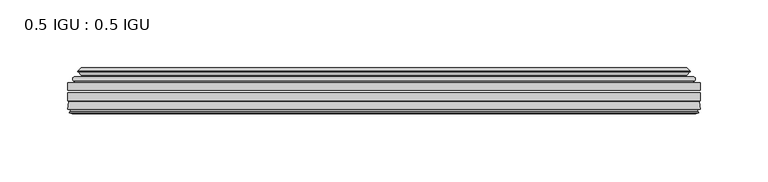
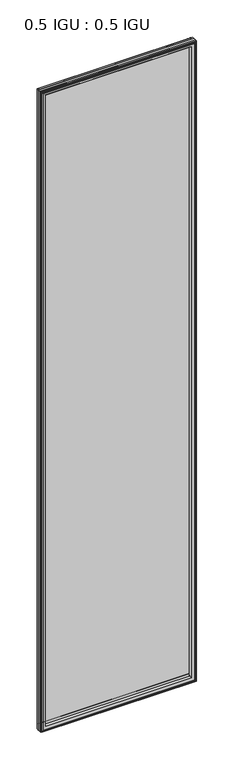
"""IFC4 building model written with IfcOpenShell, lengths in millimetres: plate geometry, 0.5 IGU : 0.5 IGU."""

from ifc_helpers import new_model, si_unit, frame, origin, place, context, project, spatial, polyline, ellipse_curve, outline, extrude, source, transform, mapped, element, save
from ifc_brep_helpers import plane_surface, cylinder_surface, revolved_surface, advanced_brep


def plate_0_5_igu_0_5_igu_b3be3462(model_context):
    return source(origin(), model_context, "Body", "SolidModel", [
        extrude(outline(polyline([(233.376675, -55.82285), (233.376675, -61.48705), (-233.3625, -61.48705), (-233.3625, -55.82285), (233.376675, -55.82285)])), frame((0.0, 0.0, -14.2875), z_axis=(0.0, 0.0, 1.0), x_axis=(1.0, 0.0, 0.0)), (0.0, 0.0, 1.0), 2025.6537979),
        extrude(outline(polyline([(-233.3625, -69.05625), (-233.3625, -63.39205), (233.376675, -63.39205), (233.376675, -69.05625), (-233.3625, -69.05625)])), frame((0.0, 0.0, -14.2875), z_axis=(0.0, 0.0, 1.0), x_axis=(1.0, 0.0, 0.0)), (0.0, 0.0, 1.0), 2025.6537979),
        advanced_brep(
        [(-229.2599626, -54.3724927, 2007.2599626), (-228.2154378, -51.60645, 2006.2154378), (-228.2154378, -51.60645, -9.1404378), (-229.2599626, -54.3724927, -10.1849626), (-227.623517, -55.82285, 2005.623517), (-227.623517, -55.82285, -8.548517), (-219.075, -45.63745, 1997.075), (-215.4922761, -55.82285, 1993.4922761), (-215.4922761, -55.82285, 3.5827239), (-219.075, -45.63745, 0.0), (-224.2609109, -46.8185491, 2002.2609109), (-224.2609109, -46.8185491, -5.1859109), (-223.4638893, -44.8183085, 2001.4638893), (-223.4638893, -44.8183085, -4.3888893), (-225.7476111, -47.135817, 2003.7476111), (-225.7476111, -47.135817, -6.6726111), (-225.7476111, -47.8489429, 2003.7476111), (-225.7476111, -47.8489429, -6.6726111), (-223.4638893, -50.1664515, 2001.4638893), (-223.4638893, -50.1664515, -4.3888893), (-224.2532501, -48.1854367, 2002.2532501), (-224.2532501, -48.1854367, -5.1782501), (-221.7294379, -48.027045, 1999.7294379), (-221.7294379, -48.027045, -2.6544379), (-220.7036217, -48.7147544, 1998.7036217), (-220.7036217, -48.7147544, -1.6286217), (-220.8220288, -50.1092231, 1998.8220288), (-220.8220288, -50.1092231, -1.7470288), (-221.4237748, -51.60645, 1999.4237748), (-221.4237748, -51.60645, -2.3487748), (228.2154378, -51.60645, -9.1404378), (229.2599626, -54.3724927, -10.1849626), (227.623517, -55.82285, -8.548517), (215.4922761, -55.82285, 3.5827239), (219.075, -45.63745, 0.0), (224.2609109, -46.8185491, -5.1859109), (223.4638893, -44.8183085, -4.3888893), (225.7476111, -47.135817, -6.6726111), (225.7476111, -47.8489429, -6.6726111), (223.4638893, -50.1664515, -4.3888893), (224.2532501, -48.1854367, -5.1782501), (221.7294379, -48.027045, -2.6544379), (220.7036217, -48.7147544, -1.6286217), (220.8220288, -50.1092231, -1.7470288), (221.4237748, -51.60645, -2.3487748), (228.2154378, -51.60645, 2006.2154378), (229.2599626, -54.3724927, 2007.2599626), (227.623517, -55.82285, 2005.623517), (215.4922761, -55.82285, 1993.4922761), (219.075, -45.63745, 1997.075), (224.2609109, -46.8185491, 2002.2609109), (223.4638893, -44.8183085, 2001.4638893), (225.7476111, -47.135817, 2003.7476111), (225.7476111, -47.8489429, 2003.7476111), (223.4638893, -50.1664515, 2001.4638893), (224.2532501, -48.1854367, 2002.2532501), (221.7294379, -48.027045, 1999.7294379), (220.7036217, -48.7147544, 1998.7036217), (220.8220288, -50.1092231, 1998.8220288), (221.4237748, -51.60645, 1999.4237748)],
        [
            (0, 1, ellipse_curve(frame((-228.2070703, -53.1898501, 2006.2070703), z_axis=(-0.7071067811865475, 0.0, -0.7071067811865475), x_axis=(-0.7071067811865474, 0.0, 0.7071067811865476)), 2.2392971, 1.5834222)),
            (1, 2),
            (2, 3, ellipse_curve(frame((-228.2070703, -53.1898501, -9.1320703), z_axis=(-0.7071067811865475, 0.0, 0.7071067811865475), x_axis=(0.7071067811865474, 0.0, 0.7071067811865476)), 2.2392971, 1.5834222)),
            (3, 0),
            (4, 0),
            (3, 5),
            (5, 4),
            (6, 7, ellipse_curve(frame((-186.795246, -40.0058297, 1964.795246), z_axis=(0.7071067811865475, 0.0, 0.7071067811865475), x_axis=(0.7071067811865474, 0.0, -0.7071067811865476)), 46.3399971, 32.7673262)),
            (7, 8),
            (8, 9, ellipse_curve(frame((-186.795246, -40.0058297, 32.279754), z_axis=(0.7071067811865475, 0.0, -0.7071067811865475), x_axis=(-0.7071067811865474, 0.0, -0.7071067811865476)), 46.3399971, 32.7673262)),
            (9, 6),
            (10, 6),
            (9, 11),
            (11, 10),
            (12, 10),
            (11, 13),
            (13, 12),
            (14, 12),
            (13, 15),
            (15, 14),
            (16, 14, ellipse_curve(frame((-225.3857729, -47.49238, 2003.3857729), z_axis=(-0.7071067811865475, 0.0, -0.7071067811865475), x_axis=(-0.7071067811865474, 0.0, 0.7071067811865476)), 0.7184205, 0.508)),
            (15, 17, ellipse_curve(frame((-225.3857729, -47.49238, -6.3107729), z_axis=(-0.7071067811865475, 0.0, 0.7071067811865475), x_axis=(0.7071067811865474, 0.0, 0.7071067811865476)), 0.7184205, 0.508)),
            (17, 16),
            (18, 16),
            (17, 19),
            (19, 18),
            (20, 18),
            (19, 21),
            (21, 20),
            (22, 20),
            (21, 23),
            (23, 22),
            (24, 22, ellipse_curve(frame((-221.6658, -49.04105, 1999.6658), z_axis=(0.7071067811865475, 0.0, 0.7071067811865475), x_axis=(0.7071067811865474, 0.0, -0.7071067811865476)), 1.436841, 1.016)),
            (23, 25, ellipse_curve(frame((-221.6658, -49.04105, -2.5908), z_axis=(0.7071067811865475, 0.0, -0.7071067811865475), x_axis=(-0.7071067811865474, 0.0, -0.7071067811865476)), 1.436841, 1.016)),
            (25, 24),
            (26, 24, ellipse_curve(frame((-223.0374, -49.21885, 2001.0374), z_axis=(0.7071067811865475, 0.0, 0.7071067811865475), x_axis=(0.7071067811865474, 0.0, -0.7071067811865476)), 3.3765763, 2.3876)),
            (25, 27, ellipse_curve(frame((-223.0374, -49.21885, -3.9624), z_axis=(0.7071067811865475, 0.0, -0.7071067811865475), x_axis=(-0.7071067811865474, 0.0, -0.7071067811865476)), 3.3765763, 2.3876)),
            (27, 26),
            (28, 26),
            (27, 29),
            (29, 28),
            (2, 30),
            (30, 31, ellipse_curve(frame((228.2070703, -53.1898501, -9.1320703), z_axis=(-0.7071067811865475, 0.0, -0.7071067811865475), x_axis=(-0.7071067811865476, 0.0, 0.7071067811865474)), 2.2392971, 1.5834222)),
            (31, 3),
            (31, 32),
            (32, 5),
            (8, 33),
            (33, 34, ellipse_curve(frame((186.795246, -40.0058297, 32.279754), z_axis=(0.7071067811865475, 0.0, 0.7071067811865475), x_axis=(0.7071067811865476, 0.0, -0.7071067811865474)), 46.3399971, 32.7673262)),
            (34, 9),
            (34, 35),
            (35, 11),
            (35, 36),
            (36, 13),
            (36, 37),
            (37, 15),
            (37, 38, ellipse_curve(frame((225.3857729, -47.49238, -6.3107729), z_axis=(-0.7071067811865475, 0.0, -0.7071067811865475), x_axis=(-0.7071067811865476, 0.0, 0.7071067811865474)), 0.7184205, 0.508)),
            (38, 17),
            (38, 39),
            (39, 19),
            (39, 40),
            (40, 21),
            (40, 41),
            (41, 23),
            (41, 42, ellipse_curve(frame((221.6658, -49.04105, -2.5908), z_axis=(0.7071067811865475, 0.0, 0.7071067811865475), x_axis=(0.7071067811865476, 0.0, -0.7071067811865474)), 1.436841, 1.016)),
            (42, 25),
            (42, 43, ellipse_curve(frame((223.0374, -49.21885, -3.9624), z_axis=(0.7071067811865475, 0.0, 0.7071067811865475), x_axis=(0.7071067811865476, 0.0, -0.7071067811865474)), 3.3765763, 2.3876)),
            (43, 27),
            (43, 44),
            (44, 29),
            (30, 45),
            (45, 46, ellipse_curve(frame((228.2070703, -53.1898501, 2006.2070703), z_axis=(0.7071067811865475, 0.0, -0.7071067811865475), x_axis=(-0.7071067811865474, 0.0, -0.7071067811865476)), 2.2392971, 1.5834222)),
            (46, 31),
            (46, 47),
            (47, 32),
            (33, 48),
            (48, 49, ellipse_curve(frame((186.795246, -40.0058297, 1964.795246), z_axis=(-0.7071067811865475, 0.0, 0.7071067811865475), x_axis=(0.7071067811865474, 0.0, 0.7071067811865476)), 46.3399971, 32.7673262)),
            (49, 34),
            (49, 50),
            (50, 35),
            (50, 51),
            (51, 36),
            (51, 52),
            (52, 37),
            (52, 53, ellipse_curve(frame((225.3857729, -47.49238, 2003.3857729), z_axis=(0.7071067811865475, 0.0, -0.7071067811865475), x_axis=(-0.7071067811865474, 0.0, -0.7071067811865476)), 0.7184205, 0.508)),
            (53, 38),
            (53, 54),
            (54, 39),
            (54, 55),
            (55, 40),
            (55, 56),
            (56, 41),
            (56, 57, ellipse_curve(frame((221.6658, -49.04105, 1999.6658), z_axis=(-0.7071067811865475, 0.0, 0.7071067811865475), x_axis=(0.7071067811865474, 0.0, 0.7071067811865476)), 1.436841, 1.016)),
            (57, 42),
            (57, 58, ellipse_curve(frame((223.0374, -49.21885, 2001.0374), z_axis=(-0.7071067811865475, 0.0, 0.7071067811865475), x_axis=(0.7071067811865474, 0.0, 0.7071067811865476)), 3.3765763, 2.3876)),
            (58, 43),
            (58, 59),
            (59, 44),
            (45, 1),
            (0, 46),
            (4, 47),
            (7, 48),
            (6, 49),
            (10, 50),
            (12, 51),
            (14, 52),
            (16, 53),
            (18, 54),
            (20, 55),
            (22, 56),
            (24, 57),
            (26, 58),
            (28, 59),
        ],
        [
            cylinder_surface(frame((-228.2070703, -53.1898501, 2028.825), z_axis=(0.0, 0.0, 1.0), x_axis=(-1.0, 0.0, 0.0)), 1.5834222),
            plane_surface(frame((-229.2599626, -54.3724927, 2007.2599626), z_axis=(-0.6632745773184306, -0.7483761320907135, 0.0), x_axis=(0.0, 0.0, -1.0))),
            revolved_surface(polyline([(-219.56257219999998, -40.0058297, -0.48757218957507575), (-219.56257219999998, -40.0058297, 1997.562572189575)]), (-186.795246, -40.0058297, 2028.825), (0.0, 0.0, -1.0)),
            plane_surface(frame((-219.075, -45.63745, 1997.075), z_axis=(-0.22206498442787428, 0.975031867525902, 0.0), x_axis=(0.0, 0.0, -1.0))),
            plane_surface(frame((-224.2609109, -46.8185491, 2002.2609109), z_axis=(0.9289682685630282, -0.370159365683228, 0.0), x_axis=(0.0, 0.0, -1.0))),
            plane_surface(frame((-223.4638893, -44.8183085, 2001.4638893), z_axis=(-0.7122798501733507, 0.7018955869907071, 0.0), x_axis=(0.0, 0.0, -1.0))),
            cylinder_surface(frame((-225.3857729, -47.49238, 2028.825), z_axis=(0.0, 0.0, 1.0), x_axis=(-1.0, 0.0, 0.0)), 0.508),
            plane_surface(frame((-225.7476111, -47.8489429, 2003.7476111), z_axis=(-0.7122798501732925, -0.701895586990766, 0.0), x_axis=(0.0, 0.0, -1.0))),
            plane_surface(frame((-223.4638893, -50.1664515, 2001.4638893), z_axis=(0.9289682685628707, 0.3701593656836228, 0.0), x_axis=(0.0, 0.0, -1.0))),
            plane_surface(frame((-224.2532501, -48.1854367, 2002.2532501), z_axis=(0.06263570119284978, -0.9980364567169279, 0.0), x_axis=(0.0, 0.0, -1.0))),
            revolved_surface(polyline([(-222.68179999999998, -49.04105, -3.6068000145867245), (-222.68179999999998, -49.04105, 2000.6818000145868)]), (-221.6658, -49.04105, 2028.825), (0.0, 0.0, -1.0)),
            revolved_surface(polyline([(-225.42499999999998, -49.21885, -6.3499999989237494), (-225.42499999999998, -49.21885, 2003.4249999989238)]), (-223.0374, -49.21885, 2028.825), (0.0, 0.0, -1.0)),
            plane_surface(frame((-220.8220288, -50.1092231, 1998.8220288), z_axis=(-0.9278652925428184, 0.3729155385532094, 0.0), x_axis=(0.0, 0.0, -1.0))),
            cylinder_surface(frame((-250.825, -53.1898501, -9.1320703), z_axis=(-1.0, 0.0, 0.0), x_axis=(0.0, 0.0, -1.0)), 1.5834222),
            plane_surface(frame((-229.2599626, -54.3724927, -10.1849626), z_axis=(0.0, -0.7483761320907157, -0.6632745773184283), x_axis=(1.0, 0.0, 0.0))),
            revolved_surface(polyline([(219.5625721895749, -40.0058297, -0.48757220000000245), (-219.56257218957492, -40.0058297, -0.48757220000000245)]), (-250.825, -40.0058297, 32.279754), (1.0, 0.0, 0.0)),
            plane_surface(frame((-219.075, -45.63745, 0.0), z_axis=(0.0, 0.9750318675259013, -0.22206498442787745), x_axis=(1.0, 0.0, 0.0))),
            plane_surface(frame((-224.2609109, -46.8185491, -5.1859109), z_axis=(0.0, -0.370159365683225, 0.9289682685630294), x_axis=(1.0, 0.0, 0.0))),
            plane_surface(frame((-223.4638893, -44.8183085, -4.3888893), z_axis=(0.0, 0.7018955869907048, -0.7122798501733529), x_axis=(1.0, 0.0, 0.0))),
            cylinder_surface(frame((-250.825, -47.49238, -6.3107729), z_axis=(-1.0, 0.0, 0.0), x_axis=(0.0, 0.0, -1.0)), 0.508),
            plane_surface(frame((-225.7476111, -47.8489429, -6.6726111), z_axis=(0.0, -0.7018955869907684, -0.7122798501732903), x_axis=(1.0, 0.0, 0.0))),
            plane_surface(frame((-223.4638893, -50.1664515, -4.3888893), z_axis=(0.0, 0.37015936568362584, 0.9289682685628696), x_axis=(1.0, 0.0, 0.0))),
            plane_surface(frame((-224.2532501, -48.1854367, -5.1782501), z_axis=(0.0, -0.9980364567169276, 0.06263570119285301), x_axis=(1.0, 0.0, 0.0))),
            revolved_surface(polyline([(222.68180001458683, -49.04105, -3.6068000000000002), (-222.68180001458686, -49.04105, -3.6068000000000002)]), (-250.825, -49.04105, -2.5908), (1.0, 0.0, 0.0)),
            revolved_surface(polyline([(225.4249999989238, -49.21885, -6.35), (-225.42499999892377, -49.21885, -6.35)]), (-250.825, -49.21885, -3.9624), (1.0, 0.0, 0.0)),
            plane_surface(frame((-220.8220288, -50.1092231, -1.7470288), z_axis=(0.0, 0.3729155385532064, -0.9278652925428196), x_axis=(1.0, 0.0, 0.0))),
            cylinder_surface(frame((228.2070703, -53.1898501, -31.75), z_axis=(0.0, 0.0, -1.0), x_axis=(1.0, 0.0, 0.0)), 1.5834222),
            plane_surface(frame((229.2599626, -54.3724927, -10.1849626), z_axis=(0.6632745773184259, -0.7483761320907178, 0.0), x_axis=(0.0, 0.0, 1.0))),
            revolved_surface(polyline([(219.56257219999998, -40.0058297, 1997.562572189575), (219.56257219999998, -40.0058297, -0.48757218957494075)]), (186.795246, -40.0058297, -31.75), (0.0, 0.0, 1.0)),
            plane_surface(frame((219.075, -45.63745, 0.0), z_axis=(0.22206498442788059, 0.9750318675259005, 0.0), x_axis=(0.0, 0.0, 1.0))),
            plane_surface(frame((224.2609109, -46.8185491, -5.1859109), z_axis=(-0.9289682685630306, -0.370159365683222, 0.0), x_axis=(0.0, 0.0, 1.0))),
            plane_surface(frame((223.4638893, -44.8183085, -4.3888893), z_axis=(0.7122798501733552, 0.7018955869907024, 0.0), x_axis=(0.0, 0.0, 1.0))),
            cylinder_surface(frame((225.3857729, -47.49238, -31.75), z_axis=(0.0, 0.0, -1.0), x_axis=(1.0, 0.0, 0.0)), 0.508),
            plane_surface(frame((225.7476111, -47.8489429, -6.6726111), z_axis=(0.712279850173288, -0.7018955869907706, 0.0), x_axis=(0.0, 0.0, 1.0))),
            plane_surface(frame((223.4638893, -50.1664515, -4.3888893), z_axis=(-0.9289682685628684, 0.37015936568362884, 0.0), x_axis=(0.0, 0.0, 1.0))),
            plane_surface(frame((224.2532501, -48.1854367, -5.1782501), z_axis=(-0.06263570119285625, -0.9980364567169274, 0.0), x_axis=(0.0, 0.0, 1.0))),
            revolved_surface(polyline([(222.68179999999998, -49.04105, 2000.6818000145868), (222.68179999999998, -49.04105, -3.606800014586863)]), (221.6658, -49.04105, -31.75), (0.0, 0.0, 1.0)),
            revolved_surface(polyline([(225.42499999999998, -49.21885, 2003.4249999989238), (225.42499999999998, -49.21885, -6.349999998923781)]), (223.0374, -49.21885, -31.75), (0.0, 0.0, 1.0)),
            plane_surface(frame((220.8220288, -50.1092231, -1.7470288), z_axis=(0.9278652925428208, 0.3729155385532034, 0.0), x_axis=(0.0, 0.0, 1.0))),
            cylinder_surface(frame((250.825, -53.1898501, 2006.2070703), z_axis=(1.0, 0.0, 0.0), x_axis=(0.0, 0.0, 1.0)), 1.5834222),
            plane_surface(frame((229.2599626, -54.3724927, 2007.2599626), z_axis=(0.0, -0.7483761320907157, 0.6632745773184283), x_axis=(-1.0, 0.0, 0.0))),
            plane_surface(frame((227.623517, -55.82285, 2005.623517), z_axis=(0.0, -1.0, 0.0), x_axis=(-1.0, 0.0, 0.0))),
            revolved_surface(polyline([(-219.5625721895749, -40.0058297, 1997.5625722), (219.56257218957492, -40.0058297, 1997.5625722)]), (250.825, -40.0058297, 1964.795246), (-1.0, 0.0, 0.0)),
            plane_surface(frame((219.075, -45.63745, 1997.075), z_axis=(0.0, 0.9750318675259012, 0.22206498442787742), x_axis=(-1.0, 0.0, 0.0))),
            plane_surface(frame((224.2609109, -46.8185491, 2002.2609109), z_axis=(0.0, -0.370159365683225, -0.9289682685630294), x_axis=(-1.0, 0.0, 0.0))),
            plane_surface(frame((223.4638893, -44.8183085, 2001.4638893), z_axis=(0.0, 0.7018955869907048, 0.7122798501733529), x_axis=(-1.0, 0.0, 0.0))),
            cylinder_surface(frame((250.825, -47.49238, 2003.3857729), z_axis=(1.0, 0.0, 0.0), x_axis=(0.0, 0.0, 1.0)), 0.508),
            plane_surface(frame((225.7476111, -47.8489429, 2003.7476111), z_axis=(0.0, -0.7018955869907684, 0.7122798501732903), x_axis=(-1.0, 0.0, 0.0))),
            plane_surface(frame((223.4638893, -50.1664515, 2001.4638893), z_axis=(0.0, 0.37015936568362584, -0.9289682685628696), x_axis=(-1.0, 0.0, 0.0))),
            plane_surface(frame((224.2532501, -48.1854367, 2002.2532501), z_axis=(0.0, -0.9980364567169276, -0.06263570119285301), x_axis=(-1.0, 0.0, 0.0))),
            revolved_surface(polyline([(-222.68180001458683, -49.04105, 2000.6818), (222.68180001458686, -49.04105, 2000.6818)]), (250.825, -49.04105, 1999.6658), (-1.0, 0.0, 0.0)),
            revolved_surface(polyline([(-225.4249999989238, -49.21885, 2003.425), (225.42499999892377, -49.21885, 2003.425)]), (250.825, -49.21885, 2001.0374), (-1.0, 0.0, 0.0)),
            plane_surface(frame((220.8220288, -50.1092231, 1998.8220288), z_axis=(0.0, 0.3729155385532064, 0.9278652925428196), x_axis=(-1.0, 0.0, 0.0))),
            plane_surface(frame((221.4237748, -51.60645, 1999.4237748), z_axis=(0.0, 1.0, 0.0), x_axis=(-1.0, 0.0, 0.0))),
        ],
        [
            (0, [[1, 2, 3, 4]]),
            (1, [[5, -4, 6, 7]]),
            (2, [[8, 9, 10, 11]]),
            (3, [[12, -11, 13, 14]]),
            (4, [[15, -14, 16, 17]]),
            (5, [[18, -17, 19, 20]]),
            (6, [[21, -20, 22, 23]]),
            (7, [[24, -23, 25, 26]]),
            (8, [[27, -26, 28, 29]]),
            (9, [[30, -29, 31, 32]]),
            (10, [[33, -32, 34, 35]]),
            (11, [[36, -35, 37, 38]]),
            (12, [[39, -38, 40, 41]]),
            (13, [[-3, 42, 43, 44]]),
            (14, [[-6, -44, 45, 46]]),
            (15, [[-10, 47, 48, 49]]),
            (16, [[-13, -49, 50, 51]]),
            (17, [[-16, -51, 52, 53]]),
            (18, [[-19, -53, 54, 55]]),
            (19, [[-22, -55, 56, 57]]),
            (20, [[-25, -57, 58, 59]]),
            (21, [[-28, -59, 60, 61]]),
            (22, [[-31, -61, 62, 63]]),
            (23, [[-34, -63, 64, 65]]),
            (24, [[-37, -65, 66, 67]]),
            (25, [[-40, -67, 68, 69]]),
            (26, [[-43, 70, 71, 72]]),
            (27, [[-45, -72, 73, 74]]),
            (28, [[-48, 75, 76, 77]]),
            (29, [[-50, -77, 78, 79]]),
            (30, [[-52, -79, 80, 81]]),
            (31, [[-54, -81, 82, 83]]),
            (32, [[-56, -83, 84, 85]]),
            (33, [[-58, -85, 86, 87]]),
            (34, [[-60, -87, 88, 89]]),
            (35, [[-62, -89, 90, 91]]),
            (36, [[-64, -91, 92, 93]]),
            (37, [[-66, -93, 94, 95]]),
            (38, [[-68, -95, 96, 97]]),
            (39, [[-71, 98, -1, 99]]),
            (40, [[-73, -99, -5, 100]]),
            (41, [[-46, -74, -100, -7], [101, -75, -47, -9]]),
            (42, [[-76, -101, -8, 102]]),
            (43, [[-78, -102, -12, 103]]),
            (44, [[-80, -103, -15, 104]]),
            (45, [[-82, -104, -18, 105]]),
            (46, [[-84, -105, -21, 106]]),
            (47, [[-86, -106, -24, 107]]),
            (48, [[-88, -107, -27, 108]]),
            (49, [[-90, -108, -30, 109]]),
            (50, [[-92, -109, -33, 110]]),
            (51, [[-94, -110, -36, 111]]),
            (52, [[-96, -111, -39, 112]]),
            (53, [[-98, -70, -42, -2], [-69, -97, -112, -41]]),
        ],
    ),
        advanced_brep(
        [(-233.3752, -75.40625, 2011.3752), (-232.6804162, -69.7476901, 2010.6804162), (-232.6804162, -69.7476901, -13.6054162), (-233.3752, -75.40625, -14.3002), (-230.9876, -77.3973143, 2008.9876), (-231.4448, -75.40625, 2009.4448), (-231.4448, -75.40625, -12.3698), (-230.9876, -77.3973143, -11.9126), (-231.9889619, -77.1290001, 2009.9889619), (-231.9889619, -77.1290001, -12.9139619), (-232.2322, -78.0367772, 2010.2322), (-232.2322, -78.0367772, -13.1572), (-230.2002, -78.58125, 2008.2002), (-230.2002, -78.58125, -11.1252), (-228.1682, -78.0367772, 2006.1682), (-228.1682, -78.0367772, -9.0932), (-228.4114381, -77.1290001, 2006.4114381), (-228.4114381, -77.1290001, -9.3364381), (-229.4128, -77.3973143, 2007.4128), (-229.4128, -77.3973143, -10.3378), (-228.9556, -75.40625, 2006.9556), (-228.9556, -75.40625, -9.8806), (-215.4855369, -69.05625, 1993.4855369), (-219.075, -75.40625, 1997.075), (-219.075, -75.40625, 0.0), (-215.4855369, -69.05625, 3.5894631), (-231.8988854, -69.05625, 2009.8988854), (-231.8988854, -69.05625, -12.8238854), (232.6804162, -69.7476901, -13.6054162), (233.3752, -75.40625, -14.3002), (231.4448, -75.40625, -12.3698), (230.9876, -77.3973143, -11.9126), (231.9889619, -77.1290001, -12.9139619), (232.2322, -78.0367772, -13.1572), (230.2002, -78.58125, -11.1252), (228.1682, -78.0367772, -9.0932), (228.4114381, -77.1290001, -9.3364381), (229.4128, -77.3973143, -10.3378), (228.9556, -75.40625, -9.8806), (219.075, -75.40625, 0.0), (215.4855369, -69.05625, 3.5894631), (231.8988854, -69.05625, -12.8238854), (232.6804162, -69.7476901, 2010.6804162), (233.3752, -75.40625, 2011.3752), (231.4448, -75.40625, 2009.4448), (230.9876, -77.3973143, 2008.9876), (231.9889619, -77.1290001, 2009.9889619), (232.2322, -78.0367772, 2010.2322), (230.2002, -78.58125, 2008.2002), (228.1682, -78.0367772, 2006.1682), (228.4114381, -77.1290001, 2006.4114381), (229.4128, -77.3973143, 2007.4128), (228.9556, -75.40625, 2006.9556), (219.075, -75.40625, 1997.075), (215.4855369, -69.05625, 1993.4855369), (231.8988854, -69.05625, 2009.8988854)],
        [
            (0, 1),
            (1, 2),
            (2, 3),
            (3, 0),
            (4, 5),
            (5, 6),
            (6, 7),
            (7, 4),
            (8, 4),
            (7, 9),
            (9, 8),
            (10, 8),
            (9, 11),
            (11, 10),
            (12, 10),
            (11, 13),
            (13, 12),
            (14, 12),
            (13, 15),
            (15, 14),
            (16, 14),
            (15, 17),
            (17, 16),
            (18, 16),
            (17, 19),
            (19, 18),
            (20, 18),
            (19, 21),
            (21, 20),
            (22, 23, ellipse_curve(frame((-210.5987114, -76.0081323, 1988.5987114), z_axis=(0.7071067811865475, 0.0, 0.7071067811865475), x_axis=(0.7071067811865474, 0.0, -0.7071067811865476)), 12.0174649, 8.4976309)),
            (23, 24),
            (24, 25, ellipse_curve(frame((-210.5987114, -76.0081323, 8.4762886), z_axis=(0.7071067811865475, 0.0, -0.7071067811865475), x_axis=(-0.7071067811865474, 0.0, -0.7071067811865476)), 12.0174649, 8.4976309)),
            (25, 22),
            (1, 26, ellipse_curve(frame((-231.8988854, -69.84365, 2009.8988854), z_axis=(-0.7071067811865475, 0.0, -0.7071067811865475), x_axis=(-0.7071067811865474, 0.0, 0.7071067811865476)), 1.1135518, 0.7874)),
            (26, 27),
            (27, 2, ellipse_curve(frame((-231.8988854, -69.84365, -12.8238854), z_axis=(-0.7071067811865475, 0.0, 0.7071067811865475), x_axis=(0.7071067811865474, 0.0, 0.7071067811865476)), 1.1135518, 0.7874)),
            (2, 28),
            (28, 29),
            (29, 3),
            (6, 30),
            (30, 31),
            (31, 7),
            (31, 32),
            (32, 9),
            (32, 33),
            (33, 11),
            (33, 34),
            (34, 13),
            (34, 35),
            (35, 15),
            (35, 36),
            (36, 17),
            (36, 37),
            (37, 19),
            (37, 38),
            (38, 21),
            (24, 39),
            (39, 40, ellipse_curve(frame((210.5987114, -76.0081323, 8.4762886), z_axis=(0.7071067811865475, 0.0, 0.7071067811865475), x_axis=(0.7071067811865476, 0.0, -0.7071067811865474)), 12.0174649, 8.4976309)),
            (40, 25),
            (27, 41),
            (41, 28, ellipse_curve(frame((231.8988854, -69.84365, -12.8238854), z_axis=(-0.7071067811865475, 0.0, -0.7071067811865475), x_axis=(-0.7071067811865476, 0.0, 0.7071067811865474)), 1.1135518, 0.7874)),
            (28, 42),
            (42, 43),
            (43, 29),
            (30, 44),
            (44, 45),
            (45, 31),
            (45, 46),
            (46, 32),
            (46, 47),
            (47, 33),
            (47, 48),
            (48, 34),
            (48, 49),
            (49, 35),
            (49, 50),
            (50, 36),
            (50, 51),
            (51, 37),
            (51, 52),
            (52, 38),
            (39, 53),
            (53, 54, ellipse_curve(frame((210.5987114, -76.0081323, 1988.5987114), z_axis=(-0.7071067811865475, 0.0, 0.7071067811865475), x_axis=(0.7071067811865474, 0.0, 0.7071067811865476)), 12.0174649, 8.4976309)),
            (54, 40),
            (41, 55),
            (55, 42, ellipse_curve(frame((231.8988854, -69.84365, 2009.8988854), z_axis=(0.7071067811865475, 0.0, -0.7071067811865475), x_axis=(-0.7071067811865474, 0.0, -0.7071067811865476)), 1.1135518, 0.7874)),
            (42, 1),
            (0, 43),
            (5, 44),
            (4, 45),
            (8, 46),
            (10, 47),
            (12, 48),
            (14, 49),
            (16, 50),
            (18, 51),
            (20, 52),
            (23, 53),
            (22, 54),
            (26, 55),
        ],
        [
            plane_surface(frame((-232.6804162, -69.7476901, 2010.6804162), z_axis=(-0.992546151641325, 0.12186934340512406, 0.0), x_axis=(0.0, 0.0, -1.0))),
            plane_surface(frame((-231.4448, -75.40625, 2009.4448), z_axis=(-0.9746347637895902, -0.22380142361658395, 0.0), x_axis=(0.0, 0.0, -1.0))),
            plane_surface(frame((-230.9876, -77.3973143, 2008.9876), z_axis=(0.2588190451026526, 0.965925826289033, 0.0), x_axis=(0.0, 0.0, -1.0))),
            plane_surface(frame((-231.9889619, -77.1290001, 2009.9889619), z_axis=(-0.9659258262890449, 0.2588190451026083, 0.0), x_axis=(0.0, 0.0, -1.0))),
            plane_surface(frame((-232.2322, -78.0367772, 2010.2322), z_axis=(-0.2588190451024403, -0.96592582628909, 0.0), x_axis=(0.0, 0.0, -1.0))),
            plane_surface(frame((-230.2002, -78.58125, 2008.2002), z_axis=(0.2588190451025434, -0.9659258262890623, 0.0), x_axis=(0.0, 0.0, -1.0))),
            plane_surface(frame((-228.1682, -78.0367772, 2006.1682), z_axis=(0.9659258262891713, 0.25881904510213655, 0.0), x_axis=(0.0, 0.0, -1.0))),
            plane_surface(frame((-228.4114381, -77.1290001, 2006.4114381), z_axis=(-0.25881904510234177, 0.9659258262891163, 0.0), x_axis=(0.0, 0.0, -1.0))),
            plane_surface(frame((-229.4128, -77.3973143, 2007.4128), z_axis=(0.9746347637895849, -0.22380142361660746, 0.0), x_axis=(0.0, 0.0, -1.0))),
            revolved_surface(polyline([(-219.0963423, -76.0081323, -0.021342323461112755), (-219.0963423, -76.0081323, 1997.0963423234612)]), (-210.5987114, -76.0081323, 2028.825), (0.0, 0.0, -1.0)),
            cylinder_surface(frame((-231.8988854, -69.84365, 2028.825), z_axis=(0.0, 0.0, 1.0), x_axis=(-1.0, 0.0, 0.0)), 0.7874),
            plane_surface(frame((-232.6804162, -69.7476901, -13.6054162), z_axis=(0.0, 0.12186934340512084, -0.9925461516413254), x_axis=(1.0, 0.0, 0.0))),
            plane_surface(frame((-231.4448, -75.40625, -12.3698), z_axis=(0.0, -0.22380142361658714, -0.9746347637895896), x_axis=(1.0, 0.0, 0.0))),
            plane_surface(frame((-230.9876, -77.3973143, -11.9126), z_axis=(0.0, 0.9659258262890339, 0.25881904510264947), x_axis=(1.0, 0.0, 0.0))),
            plane_surface(frame((-231.9889619, -77.1290001, -12.9139619), z_axis=(0.0, 0.25881904510260517, -0.9659258262890458), x_axis=(1.0, 0.0, 0.0))),
            plane_surface(frame((-232.2322, -78.0367772, -13.1572), z_axis=(0.0, -0.9659258262890907, -0.25881904510243714), x_axis=(1.0, 0.0, 0.0))),
            plane_surface(frame((-230.2002, -78.58125, -11.1252), z_axis=(0.0, -0.9659258262890614, 0.2588190451025465), x_axis=(1.0, 0.0, 0.0))),
            plane_surface(frame((-228.1682, -78.0367772, -9.0932), z_axis=(0.0, 0.25881904510213966, 0.9659258262891705), x_axis=(1.0, 0.0, 0.0))),
            plane_surface(frame((-228.4114381, -77.1290001, -9.3364381), z_axis=(0.0, 0.9659258262891154, -0.2588190451023449), x_axis=(1.0, 0.0, 0.0))),
            plane_surface(frame((-229.4128, -77.3973143, -10.3378), z_axis=(0.0, -0.2238014236166043, 0.9746347637895857), x_axis=(1.0, 0.0, 0.0))),
            revolved_surface(polyline([(219.09634232346133, -76.0081323, -0.02134230000000059), (-219.09634232346133, -76.0081323, -0.02134230000000059)]), (-250.825, -76.0081323, 8.4762886), (1.0, 0.0, 0.0)),
            cylinder_surface(frame((-250.825, -69.84365, -12.8238854), z_axis=(-1.0, 0.0, 0.0), x_axis=(0.0, 0.0, -1.0)), 0.7874),
            plane_surface(frame((232.6804162, -69.7476901, -13.6054162), z_axis=(0.9925461516413259, 0.12186934340511762, 0.0), x_axis=(0.0, 0.0, 1.0))),
            plane_surface(frame((231.4448, -75.40625, -12.3698), z_axis=(0.9746347637895888, -0.2238014236165903, 0.0), x_axis=(0.0, 0.0, 1.0))),
            plane_surface(frame((230.9876, -77.3973143, -11.9126), z_axis=(-0.25881904510264636, 0.9659258262890348, 0.0), x_axis=(0.0, 0.0, 1.0))),
            plane_surface(frame((231.9889619, -77.1290001, -12.9139619), z_axis=(0.9659258262890467, 0.25881904510260206, 0.0), x_axis=(0.0, 0.0, 1.0))),
            plane_surface(frame((232.2322, -78.0367772, -13.1572), z_axis=(0.25881904510243403, -0.9659258262890916, 0.0), x_axis=(0.0, 0.0, 1.0))),
            plane_surface(frame((230.2002, -78.58125, -11.1252), z_axis=(-0.25881904510254966, -0.9659258262890607, 0.0), x_axis=(0.0, 0.0, 1.0))),
            plane_surface(frame((228.1682, -78.0367772, -9.0932), z_axis=(-0.9659258262891696, 0.25881904510214276, 0.0), x_axis=(0.0, 0.0, 1.0))),
            plane_surface(frame((228.4114381, -77.1290001, -9.3364381), z_axis=(0.25881904510234804, 0.9659258262891146, 0.0), x_axis=(0.0, 0.0, 1.0))),
            plane_surface(frame((229.4128, -77.3973143, -10.3378), z_axis=(-0.9746347637895865, -0.22380142361660113, 0.0), x_axis=(0.0, 0.0, 1.0))),
            revolved_surface(polyline([(219.0963423, -76.0081323, 1997.0963423234612), (219.0963423, -76.0081323, -0.021342323461311707)]), (210.5987114, -76.0081323, -31.75), (0.0, 0.0, 1.0)),
            cylinder_surface(frame((231.8988854, -69.84365, -31.75), z_axis=(0.0, 0.0, -1.0), x_axis=(1.0, 0.0, 0.0)), 0.7874),
            plane_surface(frame((232.6804162, -69.7476901, 2010.6804162), z_axis=(0.0, 0.12186934340512084, 0.9925461516413254), x_axis=(-1.0, 0.0, 0.0))),
            plane_surface(frame((233.3752, -75.40625, 2011.3752), z_axis=(0.0, -1.0, 0.0), x_axis=(-1.0, 0.0, 0.0))),
            plane_surface(frame((231.4448, -75.40625, 2009.4448), z_axis=(0.0, -0.22380142361658714, 0.9746347637895896), x_axis=(-1.0, 0.0, 0.0))),
            plane_surface(frame((230.9876, -77.3973143, 2008.9876), z_axis=(0.0, 0.9659258262890339, -0.25881904510264947), x_axis=(-1.0, 0.0, 0.0))),
            plane_surface(frame((231.9889619, -77.1290001, 2009.9889619), z_axis=(0.0, 0.25881904510260517, 0.9659258262890458), x_axis=(-1.0, 0.0, 0.0))),
            plane_surface(frame((232.2322, -78.0367772, 2010.2322), z_axis=(0.0, -0.9659258262890907, 0.25881904510243714), x_axis=(-1.0, 0.0, 0.0))),
            plane_surface(frame((230.2002, -78.58125, 2008.2002), z_axis=(0.0, -0.9659258262890614, -0.25881904510254655), x_axis=(-1.0, 0.0, 0.0))),
            plane_surface(frame((228.1682, -78.0367772, 2006.1682), z_axis=(0.0, 0.25881904510213966, -0.9659258262891705), x_axis=(-1.0, 0.0, 0.0))),
            plane_surface(frame((228.4114381, -77.1290001, 2006.4114381), z_axis=(0.0, 0.9659258262891155, 0.25881904510234494), x_axis=(-1.0, 0.0, 0.0))),
            plane_surface(frame((229.4128, -77.3973143, 2007.4128), z_axis=(0.0, -0.2238014236166043, -0.9746347637895857), x_axis=(-1.0, 0.0, 0.0))),
            plane_surface(frame((228.9556, -75.40625, 2006.9556), z_axis=(0.0, -1.0, 0.0), x_axis=(-1.0, 0.0, 0.0))),
            revolved_surface(polyline([(-219.09634232346133, -76.0081323, 1997.0963423), (219.09634232346133, -76.0081323, 1997.0963423)]), (250.825, -76.0081323, 1988.5987114), (-1.0, 0.0, 0.0)),
            plane_surface(frame((215.4855369, -69.05625, 1993.4855369), z_axis=(0.0, 1.0, 0.0), x_axis=(-1.0, 0.0, 0.0))),
            cylinder_surface(frame((250.825, -69.84365, 2009.8988854), z_axis=(1.0, 0.0, 0.0), x_axis=(0.0, 0.0, 1.0)), 0.7874),
        ],
        [
            (0, [[1, 2, 3, 4]]),
            (1, [[5, 6, 7, 8]]),
            (2, [[9, -8, 10, 11]]),
            (3, [[12, -11, 13, 14]]),
            (4, [[15, -14, 16, 17]]),
            (5, [[18, -17, 19, 20]]),
            (6, [[21, -20, 22, 23]]),
            (7, [[24, -23, 25, 26]]),
            (8, [[27, -26, 28, 29]]),
            (9, [[30, 31, 32, 33]]),
            (10, [[34, 35, 36, -2]]),
            (11, [[-3, 37, 38, 39]]),
            (12, [[-7, 40, 41, 42]]),
            (13, [[-10, -42, 43, 44]]),
            (14, [[-13, -44, 45, 46]]),
            (15, [[-16, -46, 47, 48]]),
            (16, [[-19, -48, 49, 50]]),
            (17, [[-22, -50, 51, 52]]),
            (18, [[-25, -52, 53, 54]]),
            (19, [[-28, -54, 55, 56]]),
            (20, [[-32, 57, 58, 59]]),
            (21, [[-36, 60, 61, -37]]),
            (22, [[-38, 62, 63, 64]]),
            (23, [[-41, 65, 66, 67]]),
            (24, [[-43, -67, 68, 69]]),
            (25, [[-45, -69, 70, 71]]),
            (26, [[-47, -71, 72, 73]]),
            (27, [[-49, -73, 74, 75]]),
            (28, [[-51, -75, 76, 77]]),
            (29, [[-53, -77, 78, 79]]),
            (30, [[-55, -79, 80, 81]]),
            (31, [[-58, 82, 83, 84]]),
            (32, [[-61, 85, 86, -62]]),
            (33, [[-63, 87, -1, 88]]),
            (34, [[-39, -64, -88, -4], [89, -65, -40, -6]]),
            (35, [[-66, -89, -5, 90]]),
            (36, [[-68, -90, -9, 91]]),
            (37, [[-70, -91, -12, 92]]),
            (38, [[-72, -92, -15, 93]]),
            (39, [[-74, -93, -18, 94]]),
            (40, [[-76, -94, -21, 95]]),
            (41, [[-78, -95, -24, 96]]),
            (42, [[-80, -96, -27, 97]]),
            (43, [[-56, -81, -97, -29], [98, -82, -57, -31]]),
            (44, [[-83, -98, -30, 99]]),
            (45, [[100, -85, -60, -35], [-59, -84, -99, -33]]),
            (46, [[-86, -100, -34, -87]]),
        ],
    ),
    ])


if __name__ == "__main__":
    model = new_model("IFC4")
    model_context = context("Model", 3, world=origin())
    ifc_project = project(units=[si_unit("LENGTHUNIT", "METRE", prefix="MILLI")], contexts=[model_context])
    site = spatial("IfcSite", under=ifc_project)
    building = spatial("IfcBuilding", under=site)
    placement = place(None, origin())
    plate_0_5_igu_0_5_igu_shape = plate_0_5_igu_0_5_igu_b3be3462(model_context)
    element("IfcPlate", 1, ObjectType="0.5 IGU : 0.5 IGU", at=placement, inside=building, context=model_context, shape_type="MappedRepresentation", body=[
        mapped(plate_0_5_igu_0_5_igu_shape, transform((0.0, 0.0, 0.0), x_axis=(1.0, 0.0, 0.0), y_axis=(0.0, 1.0, 0.0), z_axis=(0.0, 0.0, 1.0))),
    ])
    save(model, "model.ifc")
